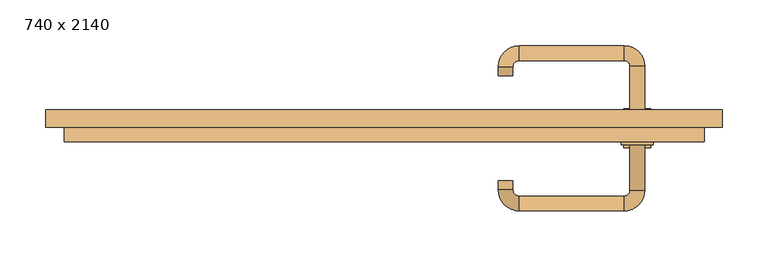
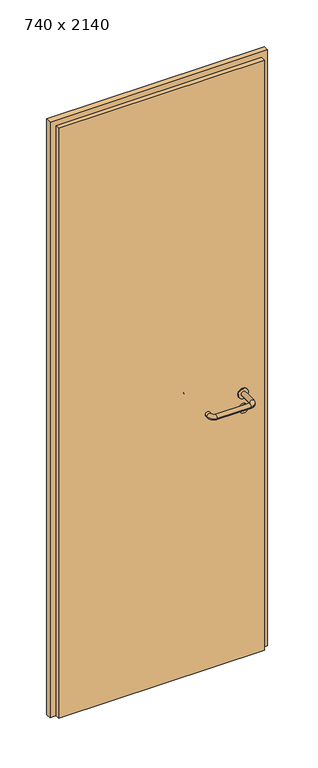
"""IFC4 building model written with IfcOpenShell, lengths in millimetres: door geometry, 740 x 2140."""

from ifc_helpers import new_model, si_unit, point, frame, frame_2d, origin, origin_with_axes, place, context, project, spatial, polyline, circle_curve, ellipse_curve, trimmed, segment, composite_curve, outline, extrude, source, transform, mapped, element, save
from ifc_brep_helpers import plane_surface, cylinder_surface, revolved_surface, advanced_brep


def door_740_x_2140_03b82a06(model_context):
    return source(origin(), model_context, "Body", "SolidModel", [
        extrude(outline(composite_curve([segment(trimmed(circle_curve(frame_2d((897.3605726, 277.0)), 15.0), [point((897.3605726, 292.0))], [point((897.3605726, 262.0))], False, "CARTESIAN"), True, "CONTINUOUS"), segment(trimmed(circle_curve(frame_2d((897.3605726, 277.0)), 15.0), [point((897.3605726, 262.0))], [point((897.3605726, 292.0))], False, "CARTESIAN"), True, "CONTINUOUS")], self_intersect=False), holes=[composite_curve([segment(trimmed(circle_curve(frame_2d((892.5833211, 276.9398032)), 2.0), [point((892.5833211, 278.9398032))], [point((892.5833211, 274.9398032))], True, "CARTESIAN"), True, "CONTINUOUS"), segment(polyline([(892.5833211, 274.9398032), (902.5833211, 274.9398032)]), True, "CONTINUOUS"), segment(trimmed(circle_curve(frame_2d((902.5833211, 276.9398032)), 2.0), [point((902.5833211, 274.9398032))], [point((902.5833211, 278.9398032))], True, "CARTESIAN"), True, "CONTINUOUS"), segment(polyline([(902.5833211, 278.9398032), (892.5833211, 278.9398032)]), True, "CONTINUOUS")], self_intersect=False)]), frame((0.0, -31.35, 0.0), z_axis=(0.0, 1.0, 0.0), x_axis=(0.0, 0.0, 1.0)), (0.0, 0.0, 1.0), 6.35),
        extrude(outline(composite_curve([segment(trimmed(circle_curve(frame_2d((950.0, 277.0)), 17.526), [point((950.0, 294.526))], [point((950.0, 259.474))], False, "CARTESIAN"), True, "CONTINUOUS"), segment(trimmed(circle_curve(frame_2d((950.0, 277.0)), 17.526), [point((950.0, 259.474))], [point((950.0, 294.526))], False, "CARTESIAN"), True, "CONTINUOUS")], self_intersect=False)), frame((0.0, -28.175, 0.0), z_axis=(0.0, 1.0, 0.0), x_axis=(0.0, 0.0, 1.0)), (0.0, 0.0, 1.0), 3.175),
        advanced_brep(
        [(285.0, -25.0, 950.0), (269.0, -25.0, 950.0), (269.0, -78.0, 950.0), (285.0, -78.0, 950.0), (262.8578644, -84.1421356, 950.0), (262.8578644, -100.1421356, 950.0), (147.8578644, -84.1421356, 950.0), (147.8578644, -100.1421356, 950.0), (141.008622, -77.2928932, 950.0), (125.008622, -77.2928932, 950.0), (125.008622, -67.2928932, 950.0), (141.008622, -67.2928932, 950.0)],
        [
            (0, 1, circle_curve(frame((277.0, -25.0, 950.0), z_axis=(0.0, 1.0, 0.0), x_axis=(-1.0, 0.0, 0.0)), 8.0)),
            (1, 0, circle_curve(frame((277.0, -25.0, 950.0), z_axis=(0.0, 1.0, 0.0), x_axis=(-1.0, 0.0, 0.0)), 8.0)),
            (1, 2),
            (2, 3, circle_curve(frame((277.0, -78.0, 950.0), z_axis=(0.0, 1.0, 0.0), x_axis=(-1.0, 0.0, 0.0)), 8.0)),
            (3, 0),
            (3, 2, circle_curve(frame((277.0, -78.0, 950.0), z_axis=(0.0, 1.0, 0.0), x_axis=(-1.0, 0.0, 0.0)), 8.0)),
            (4, 5, circle_curve(frame((262.8578644, -92.1421356, 950.0), z_axis=(1.0, 0.0, 0.0), x_axis=(0.0, 1.0, 0.0)), 8.0)),
            (5, 3, circle_curve(frame((262.8578644, -78.0, 950.0), z_axis=(0.0, 0.0, 1.0), x_axis=(1.0, 0.0, 0.0)), 22.1421356)),
            (2, 4, circle_curve(frame((262.8578644, -78.0, 950.0), z_axis=(0.0, 0.0, -1.0), x_axis=(1.0, 0.0, 0.0)), 6.1421356)),
            (5, 4, circle_curve(frame((262.8578644, -92.1421356, 950.0), z_axis=(1.0, 0.0, 0.0), x_axis=(0.0, 1.0, 0.0)), 8.0)),
            (4, 6),
            (6, 7, circle_curve(frame((147.8578644, -92.1421356, 950.0), z_axis=(1.0, 0.0, 0.0), x_axis=(0.0, 1.0, 0.0)), 8.0)),
            (7, 5),
            (7, 6, circle_curve(frame((147.8578644, -92.1421356, 950.0), z_axis=(1.0, 0.0, 0.0), x_axis=(0.0, 1.0, 0.0)), 8.0)),
            (8, 9, circle_curve(frame((133.008622, -77.2928932, 950.0), z_axis=(0.0, -1.0, 0.0), x_axis=(1.0, 0.0, 0.0)), 8.0)),
            (9, 7, circle_curve(frame((147.8578644, -77.2928932, 950.0), z_axis=(0.0, 0.0, 1.0), x_axis=(0.0, -1.0, 0.0)), 22.8492424)),
            (6, 8, circle_curve(frame((147.8578644, -77.2928932, 950.0), z_axis=(0.0, 0.0, -1.0), x_axis=(0.0, -1.0, 0.0)), 6.8492424)),
            (9, 8, circle_curve(frame((133.008622, -77.2928932, 950.0), z_axis=(0.0, -1.0, 0.0), x_axis=(1.0, 0.0, 0.0)), 8.0)),
            (10, 11, circle_curve(frame((133.008622, -67.2928932, 950.0), z_axis=(0.0, 1.0, 0.0), x_axis=(1.0, 0.0, 0.0)), 8.0)),
            (11, 10, circle_curve(frame((133.008622, -67.2928932, 950.0), z_axis=(0.0, 1.0, 0.0), x_axis=(1.0, 0.0, 0.0)), 8.0)),
            (8, 11),
            (10, 9),
        ],
        [
            plane_surface(frame((277.0, -25.0, 0.0), z_axis=(0.0, 1.0, 0.0), x_axis=(0.0, 0.0, 1.0))),
            cylinder_surface(frame((277.0, -25.0, 950.0), z_axis=(0.0, 1.0, 0.0), x_axis=(-1.0, 0.0, 0.0)), 8.0),
            revolved_surface(trimmed(ellipse_curve(frame((277.0, -78.0, 950.0), z_axis=(0.0, -1.0, 0.0), x_axis=(-1.0, 0.0, 0.0)), 8.0, 8.0), [point((285.0, -78.0, 950.0))], [point((269.0, -78.0, 950.0))], True, "CARTESIAN"), (262.8578644, -78.0, 0.0), (0.0, 0.0, 1.0)),
            revolved_surface(trimmed(ellipse_curve(frame((277.0, -78.0, 950.0), z_axis=(0.0, -1.0, 0.0), x_axis=(-1.0, 0.0, 0.0)), 8.0, 8.0), [point((269.0, -78.0, 950.0))], [point((285.0, -78.0, 950.0))], True, "CARTESIAN"), (262.8578644, -78.0, 0.0), (0.0, 0.0, 1.0)),
            cylinder_surface(frame((262.8578644, -92.1421356, 950.0), z_axis=(1.0, 0.0, 0.0), x_axis=(0.0, 1.0, 0.0)), 8.0),
            revolved_surface(trimmed(ellipse_curve(frame((147.8578644, -92.1421356, 950.0), z_axis=(-1.0, 0.0, 0.0), x_axis=(0.0, 1.0, 0.0)), 8.0, 8.0), [point((147.8578644, -100.1421356, 950.0))], [point((147.8578644, -84.1421356, 950.0))], True, "CARTESIAN"), (147.8578644, -77.2928932, 0.0), (0.0, 0.0, 1.0)),
            revolved_surface(trimmed(ellipse_curve(frame((147.8578644, -92.1421356, 950.0), z_axis=(-1.0, 0.0, 0.0), x_axis=(0.0, 1.0, 0.0)), 8.0, 8.0), [point((147.8578644, -84.1421356, 950.0))], [point((147.8578644, -100.1421356, 950.0))], True, "CARTESIAN"), (147.8578644, -77.2928932, 0.0), (0.0, 0.0, 1.0)),
            plane_surface(frame((133.008622, -67.2928932, 0.0), z_axis=(0.0, 1.0, 0.0), x_axis=(0.0, 0.0, 1.0))),
            cylinder_surface(frame((133.008622, -77.2928932, 950.0), z_axis=(0.0, -1.0, 0.0), x_axis=(1.0, 0.0, 0.0)), 8.0),
        ],
        [
            (0, [[1, 2]]),
            (1, [[3, 4, 5, -2]]),
            (1, [[-5, 6, -3, -1]]),
            (2, [[7, 8, -4, 9]]),
            (3, [[10, -9, -6, -8]]),
            (4, [[11, 12, 13, -7]]),
            (4, [[-13, 14, -11, -10]]),
            (5, [[15, 16, -12, 17]]),
            (6, [[18, -17, -14, -16]]),
            (7, [[19, 20]]),
            (8, [[21, -19, 22, -15]]),
            (8, [[-22, -20, -21, -18]]),
        ],
    ),
        extrude(outline(composite_curve([segment(trimmed(circle_curve(frame_2d((0.0, -15.0)), 15.0), [point((0.0, -30.0))], [point((0.0, 0.0))], False, "CARTESIAN"), True, "CONTINUOUS"), segment(trimmed(circle_curve(frame_2d((0.0, -15.0)), 15.0), [point((0.0, 0.0))], [point((0.0, -30.0))], False, "CARTESIAN"), True, "CONTINUOUS")], self_intersect=False), holes=[composite_curve([segment(trimmed(circle_curve(frame_2d((4.7772515, -14.9398032)), 2.0), [point((4.7772515, -16.9398032))], [point((4.7772515, -12.9398032))], True, "CARTESIAN"), True, "CONTINUOUS"), segment(polyline([(4.7772515, -12.9398032), (-5.2227485, -12.9398032)]), True, "CONTINUOUS"), segment(trimmed(circle_curve(frame_2d((-5.2227485, -14.9398032)), 2.0), [point((-5.2227485, -12.9398032))], [point((-5.2227485, -16.9398032))], True, "CARTESIAN"), True, "CONTINUOUS"), segment(polyline([(-5.2227485, -16.9398032), (4.7772515, -16.9398032)]), True, "CONTINUOUS")], self_intersect=False)]), frame((262.0, 5.0, 897.3605726), z_axis=(1.8870575173328306e-12, 1.0, 0.0), x_axis=(0.0, 0.0, -1.0)), (0.0, 0.0, 1.0), 6.35),
        extrude(outline(composite_curve([segment(trimmed(circle_curve(frame_2d((0.0, -17.526)), 17.526), [point((0.0, -35.052))], [point((0.0, 0.0))], False, "CARTESIAN"), True, "CONTINUOUS"), segment(trimmed(circle_curve(frame_2d((0.0, -17.526)), 17.526), [point((0.0, 0.0))], [point((0.0, -35.052))], False, "CARTESIAN"), True, "CONTINUOUS")], self_intersect=False)), frame((259.474, 5.0, 950.0), z_axis=(1.8870575173328306e-12, 1.0, 0.0), x_axis=(0.0, 0.0, -1.0)), (0.0, 0.0, 1.0), 3.175),
        advanced_brep(
        [(285.0, 5.0, 950.0), (269.0, 5.0, 950.0), (285.0, 58.0, 950.0), (269.0, 58.0, 950.0), (262.8578644, 64.1421356, 950.0), (262.8578644, 80.1421356, 950.0), (147.8578644, 80.1421356, 950.0), (147.8578644, 64.1421356, 950.0), (141.008622, 57.2928932, 950.0), (125.008622, 57.2928932, 950.0), (125.008622, 47.2928932, 950.0), (141.008622, 47.2928932, 950.0)],
        [
            (0, 1, circle_curve(frame((277.0, 5.0, 950.0), z_axis=(-1.888672253512351e-12, -1.0, 0.0), x_axis=(-1.0, 1.888672253512351e-12, 0.0)), 8.0)),
            (1, 0, circle_curve(frame((277.0, 5.0, 950.0), z_axis=(-1.888672253512351e-12, -1.0, 0.0), x_axis=(-1.0, 1.888672253512351e-12, 0.0)), 8.0)),
            (0, 2),
            (2, 3, circle_curve(frame((277.0, 58.0, 950.0), z_axis=(-1.888672253512351e-12, -1.0, 0.0), x_axis=(-1.0, 1.888672253512351e-12, 0.0)), 8.0)),
            (3, 1),
            (3, 2, circle_curve(frame((277.0, 58.0, 950.0), z_axis=(-1.888672253512351e-12, -1.0, 0.0), x_axis=(-1.0, 1.888672253512351e-12, 0.0)), 8.0)),
            (4, 3, circle_curve(frame((262.8578644, 58.0, 950.0), z_axis=(0.0, 0.0, -1.0), x_axis=(1.0, -1.880717803715015e-12, 0.0)), 6.1421356)),
            (2, 5, circle_curve(frame((262.8578644, 58.0, 950.0), z_axis=(0.0, 0.0, 1.0), x_axis=(1.0, -1.880717803715015e-12, 0.0)), 22.1421356)),
            (5, 4, circle_curve(frame((262.8578644, 72.1421356, 950.0), z_axis=(1.0, -1.913702061528922e-12, 0.0), x_axis=(-1.913702061528922e-12, -1.0, 0.0)), 8.0)),
            (4, 5, circle_curve(frame((262.8578644, 72.1421356, 950.0), z_axis=(1.0, -1.913702061528922e-12, 0.0), x_axis=(-1.913702061528922e-12, -1.0, 0.0)), 8.0)),
            (5, 6),
            (6, 7, circle_curve(frame((147.8578644, 72.1421356, 950.0), z_axis=(1.0, -1.913719828541269e-12, 0.0), x_axis=(-1.913719828541269e-12, -1.0, 0.0)), 8.0)),
            (7, 4),
            (7, 6, circle_curve(frame((147.8578644, 72.1421356, 950.0), z_axis=(1.0, -1.913719828541269e-12, 0.0), x_axis=(-1.913719828541269e-12, -1.0, 0.0)), 8.0)),
            (8, 7, circle_curve(frame((147.8578644, 57.2928932, 950.0), z_axis=(0.0, 0.0, -1.0), x_axis=(1.9120873253494017e-12, 1.0, 0.0)), 6.8492424)),
            (6, 9, circle_curve(frame((147.8578644, 57.2928932, 950.0), z_axis=(0.0, 0.0, 1.0), x_axis=(1.9120873253494017e-12, 1.0, 0.0)), 22.8492424)),
            (9, 8, circle_curve(frame((133.008622, 57.2928932, 950.0), z_axis=(1.890448610351751e-12, 1.0, 0.0), x_axis=(1.0, -1.890448610351751e-12, 0.0)), 8.0)),
            (8, 9, circle_curve(frame((133.008622, 57.2928932, 950.0), z_axis=(1.8888942981172756e-12, 1.0, 0.0), x_axis=(1.0, -1.8888942981172756e-12, 0.0)), 8.0)),
            (10, 11, circle_curve(frame((133.008622, 47.2928932, 950.0), z_axis=(-1.8903642334018795e-12, -1.0, 0.0), x_axis=(1.0, -1.8903642334018795e-12, 0.0)), 8.0)),
            (11, 10, circle_curve(frame((133.008622, 47.2928932, 950.0), z_axis=(-1.8903642334018795e-12, -1.0, 0.0), x_axis=(1.0, -1.8903642334018795e-12, 0.0)), 8.0)),
            (9, 10),
            (11, 8),
        ],
        [
            plane_surface(frame((277.0, 5.0, 0.0), z_axis=(-1.8870575173328306e-12, -1.0, 0.0), x_axis=(0.0, 0.0, 1.0))),
            cylinder_surface(frame((277.0, 5.0, 950.0), z_axis=(-1.888672253512351e-12, -1.0, 0.0), x_axis=(-1.0, 1.888672253512351e-12, 0.0)), 8.0),
            revolved_surface(trimmed(ellipse_curve(frame((277.0, 58.0, 950.0), z_axis=(-1.8823325398945356e-12, -1.0, 0.0), x_axis=(-1.0, 1.8823325398945356e-12, 0.0)), 8.0, 8.0), [point((285.0, 58.0, 950.0))], [point((269.0, 58.0, 950.0))], True, "CARTESIAN"), (262.8578644, 58.0, 0.0), (0.0, 0.0, 1.0)),
            revolved_surface(trimmed(ellipse_curve(frame((277.0, 58.0, 950.0), z_axis=(-1.8823325398945356e-12, -1.0, 0.0), x_axis=(-1.0, 1.8823325398945356e-12, 0.0)), 8.0, 8.0), [point((269.0, 58.0, 950.0))], [point((285.0, 58.0, 950.0))], True, "CARTESIAN"), (262.8578644, 58.0, 0.0), (0.0, 0.0, 1.0)),
            cylinder_surface(frame((262.8578644, 72.1421356, 950.0), z_axis=(1.0, -1.913719828541269e-12, 0.0), x_axis=(-1.913719828541269e-12, -1.0, 0.0)), 8.0),
            revolved_surface(trimmed(ellipse_curve(frame((147.8578644, 72.1421356, 950.0), z_axis=(1.0, -1.913702061528922e-12, 0.0), x_axis=(-1.913702061528922e-12, -1.0, 0.0)), 8.0, 8.0), [point((147.8578644, 80.1421356, 950.0))], [point((147.8578644, 64.1421356, 950.0))], True, "CARTESIAN"), (147.8578644, 57.2928932, 0.0), (0.0, 0.0, 1.0)),
            revolved_surface(trimmed(ellipse_curve(frame((147.8578644, 72.1421356, 950.0), z_axis=(1.0, -1.913702061528922e-12, 0.0), x_axis=(-1.913702061528922e-12, -1.0, 0.0)), 8.0, 8.0), [point((147.8578644, 64.1421356, 950.0))], [point((147.8578644, 80.1421356, 950.0))], True, "CARTESIAN"), (147.8578644, 57.2928932, 0.0), (0.0, 0.0, 1.0)),
            plane_surface(frame((133.008622, 47.2928932, 0.0), z_axis=(-1.8887494972223595e-12, -1.0, 0.0), x_axis=(0.0, 0.0, 1.0))),
            cylinder_surface(frame((133.008622, 57.2928932, 950.0), z_axis=(1.8903642334018795e-12, 1.0, 0.0), x_axis=(1.0, -1.8903642334018795e-12, 0.0)), 8.0),
        ],
        [
            (0, [[1, 2]]),
            (1, [[-1, 3, 4, 5]]),
            (1, [[-2, -5, 6, -3]]),
            (2, [[7, -4, 8, 9]]),
            (3, [[-8, -6, -7, 10]]),
            (4, [[-9, 11, 12, 13]]),
            (4, [[-10, -13, 14, -11]]),
            (5, [[15, -12, 16, 17]]),
            (6, [[-16, -14, -15, 18]]),
            (7, [[19, 20]]),
            (8, [[-17, 21, -20, 22]]),
            (8, [[-18, -22, -19, -21]]),
        ],
    ),
        extrude(outline(polyline([(2120.0, 350.0), (0.0, 350.0), (0.0, 370.0), (2140.0, 370.0), (2140.0, -370.0), (0.0, -370.0), (0.0, -350.0), (2120.0, -350.0), (2120.0, 350.0)])), frame((0.0, -9.0, 0.0), z_axis=(0.0, 1.0, 0.0), x_axis=(0.0, 0.0, 1.0)), (0.0, 0.0, 1.0), 19.0),
        extrude(outline(polyline([(-350.0, 5.0), (350.0, 5.0), (350.0, -25.0), (-350.0, -25.0), (-350.0, 5.0)])), origin_with_axes(), (0.0, 0.0, 1.0), 2120.0),
    ])


if __name__ == "__main__":
    model = new_model("IFC4")
    model_context = context("Model", 3, world=origin())
    ifc_project = project(units=[si_unit("LENGTHUNIT", "METRE", prefix="MILLI")], contexts=[model_context])
    site = spatial("IfcSite", under=ifc_project)
    building = spatial("IfcBuilding", under=site)
    placement = place(None, origin())
    door_740_x_2140_shape = door_740_x_2140_03b82a06(model_context)
    element("IfcDoor", 1, ObjectType="740 x 2140", at=placement, inside=building, context=model_context, shape_type="MappedRepresentation", body=[
        mapped(door_740_x_2140_shape, transform((0.0, 0.0, 0.0), x_axis=(1.0, 0.0, 0.0), y_axis=(0.0, 1.0, 0.0), z_axis=(0.0, 0.0, 1.0))),
    ])
    save(model, "model.ifc")
